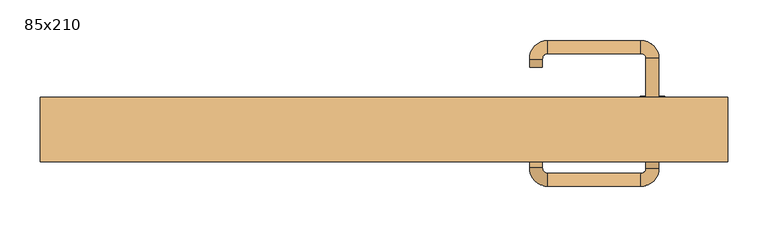
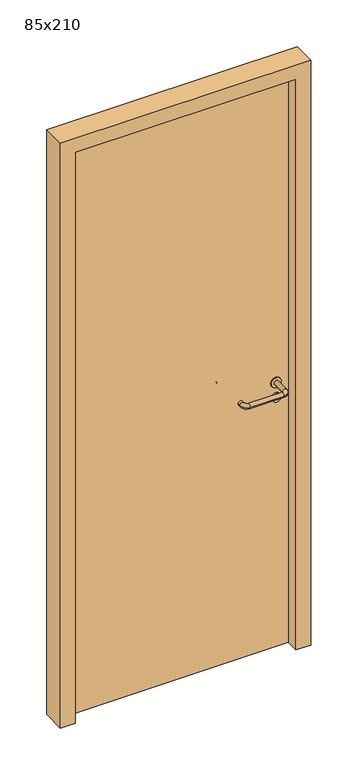
"""IFC4 building model written with IfcOpenShell, lengths in millimetres: door geometry, 85x210."""

from ifc_helpers import new_model, si_unit, point, frame, frame_2d, origin, origin_with_axes, place, context, project, spatial, polyline, circle_curve, ellipse_curve, trimmed, segment, composite_curve, outline, extrude, source, transform, mapped, element, save
from ifc_brep_helpers import plane_surface, cylinder_surface, revolved_surface, advanced_brep


def door_85x210_ea26651d(model_context):
    return source(origin(), model_context, "Body", "SolidModel", [
        extrude(outline(composite_curve([segment(trimmed(circle_curve(frame_2d((897.3605726, 332.0)), 15.0), [point((897.3605726, 347.0))], [point((897.3605726, 317.0))], False, "CARTESIAN"), True, "CONTINUOUS"), segment(trimmed(circle_curve(frame_2d((897.3605726, 332.0)), 15.0), [point((897.3605726, 317.0))], [point((897.3605726, 347.0))], False, "CARTESIAN"), True, "CONTINUOUS")], self_intersect=False), holes=[composite_curve([segment(trimmed(circle_curve(frame_2d((892.5833211, 331.9398032)), 2.0), [point((892.5833211, 333.9398032))], [point((892.5833211, 329.9398032))], True, "CARTESIAN"), True, "CONTINUOUS"), segment(polyline([(892.5833211, 329.9398032), (902.5833211, 329.9398032)]), True, "CONTINUOUS"), segment(trimmed(circle_curve(frame_2d((902.5833211, 331.9398032)), 2.0), [point((902.5833211, 329.9398032))], [point((902.5833211, 333.9398032))], True, "CARTESIAN"), True, "CONTINUOUS"), segment(polyline([(902.5833211, 333.9398032), (892.5833211, 333.9398032)]), True, "CONTINUOUS")], self_intersect=False)]), frame((0.0, 8.65, 0.0), z_axis=(0.0, 1.0, 0.0), x_axis=(0.0, 0.0, 1.0)), (0.0, 0.0, 1.0), 6.35),
        extrude(outline(composite_curve([segment(trimmed(circle_curve(frame_2d((950.0, 332.0)), 17.526), [point((950.0, 349.526))], [point((950.0, 314.474))], False, "CARTESIAN"), True, "CONTINUOUS"), segment(trimmed(circle_curve(frame_2d((950.0, 332.0)), 17.526), [point((950.0, 314.474))], [point((950.0, 349.526))], False, "CARTESIAN"), True, "CONTINUOUS")], self_intersect=False)), frame((0.0, 11.825, 0.0), z_axis=(0.0, 1.0, 0.0), x_axis=(0.0, 0.0, 1.0)), (0.0, 0.0, 1.0), 3.175),
        advanced_brep(
        [(340.0, 15.0, 950.0), (324.0, 15.0, 950.0), (324.0, -38.0, 950.0), (340.0, -38.0, 950.0), (317.8578644, -44.1421356, 950.0), (317.8578644, -60.1421356, 950.0), (202.8578644, -44.1421356, 950.0), (202.8578644, -60.1421356, 950.0), (196.008622, -37.2928932, 950.0), (180.008622, -37.2928932, 950.0), (180.008622, -27.2928932, 950.0), (196.008622, -27.2928932, 950.0)],
        [
            (0, 1, circle_curve(frame((332.0, 15.0, 950.0), z_axis=(0.0, 1.0, 0.0), x_axis=(-1.0, 0.0, 0.0)), 8.0)),
            (1, 0, circle_curve(frame((332.0, 15.0, 950.0), z_axis=(0.0, 1.0, 0.0), x_axis=(-1.0, 0.0, 0.0)), 8.0)),
            (1, 2),
            (2, 3, circle_curve(frame((332.0, -38.0, 950.0), z_axis=(0.0, 1.0, 0.0), x_axis=(-1.0, 0.0, 0.0)), 8.0)),
            (3, 0),
            (3, 2, circle_curve(frame((332.0, -38.0, 950.0), z_axis=(0.0, 1.0, 0.0), x_axis=(-1.0, 0.0, 0.0)), 8.0)),
            (4, 5, circle_curve(frame((317.8578644, -52.1421356, 950.0), z_axis=(1.0, 0.0, 0.0), x_axis=(0.0, 1.0, 0.0)), 8.0)),
            (5, 3, circle_curve(frame((317.8578644, -38.0, 950.0), z_axis=(0.0, 0.0, 1.0), x_axis=(1.0, 0.0, 0.0)), 22.1421356)),
            (2, 4, circle_curve(frame((317.8578644, -38.0, 950.0), z_axis=(0.0, 0.0, -1.0), x_axis=(1.0, 0.0, 0.0)), 6.1421356)),
            (5, 4, circle_curve(frame((317.8578644, -52.1421356, 950.0), z_axis=(1.0, 0.0, 0.0), x_axis=(0.0, 1.0, 0.0)), 8.0)),
            (4, 6),
            (6, 7, circle_curve(frame((202.8578644, -52.1421356, 950.0), z_axis=(1.0, 0.0, 0.0), x_axis=(0.0, 1.0, 0.0)), 8.0)),
            (7, 5),
            (7, 6, circle_curve(frame((202.8578644, -52.1421356, 950.0), z_axis=(1.0, 0.0, 0.0), x_axis=(0.0, 1.0, 0.0)), 8.0)),
            (8, 9, circle_curve(frame((188.008622, -37.2928932, 950.0), z_axis=(0.0, -1.0, 0.0), x_axis=(1.0, 0.0, 0.0)), 8.0)),
            (9, 7, circle_curve(frame((202.8578644, -37.2928932, 950.0), z_axis=(0.0, 0.0, 1.0), x_axis=(0.0, -1.0, 0.0)), 22.8492424)),
            (6, 8, circle_curve(frame((202.8578644, -37.2928932, 950.0), z_axis=(0.0, 0.0, -1.0), x_axis=(0.0, -1.0, 0.0)), 6.8492424)),
            (9, 8, circle_curve(frame((188.008622, -37.2928932, 950.0), z_axis=(0.0, -1.0, 0.0), x_axis=(1.0, 0.0, 0.0)), 8.0)),
            (10, 11, circle_curve(frame((188.008622, -27.2928932, 950.0), z_axis=(0.0, 1.0, 0.0), x_axis=(1.0, 0.0, 0.0)), 8.0)),
            (11, 10, circle_curve(frame((188.008622, -27.2928932, 950.0), z_axis=(0.0, 1.0, 0.0), x_axis=(1.0, 0.0, 0.0)), 8.0)),
            (8, 11),
            (10, 9),
        ],
        [
            plane_surface(frame((332.0, 15.0, 0.0), z_axis=(0.0, 1.0, 0.0), x_axis=(0.0, 0.0, 1.0))),
            cylinder_surface(frame((332.0, 15.0, 950.0), z_axis=(0.0, 1.0, 0.0), x_axis=(-1.0, 0.0, 0.0)), 8.0),
            revolved_surface(trimmed(ellipse_curve(frame((332.0, -38.0, 950.0), z_axis=(0.0, -1.0, 0.0), x_axis=(-1.0, 0.0, 0.0)), 8.0, 8.0), [point((340.0, -38.0, 950.0))], [point((324.0, -38.0, 950.0))], True, "CARTESIAN"), (317.8578644, -38.0, 0.0), (0.0, 0.0, 1.0)),
            revolved_surface(trimmed(ellipse_curve(frame((332.0, -38.0, 950.0), z_axis=(0.0, -1.0, 0.0), x_axis=(-1.0, 0.0, 0.0)), 8.0, 8.0), [point((324.0, -38.0, 950.0))], [point((340.0, -38.0, 950.0))], True, "CARTESIAN"), (317.8578644, -38.0, 0.0), (0.0, 0.0, 1.0)),
            cylinder_surface(frame((317.8578644, -52.1421356, 950.0), z_axis=(1.0, 0.0, 0.0), x_axis=(0.0, 1.0, 0.0)), 8.0),
            revolved_surface(trimmed(ellipse_curve(frame((202.8578644, -52.1421356, 950.0), z_axis=(-1.0, 0.0, 0.0), x_axis=(0.0, 1.0, 0.0)), 8.0, 8.0), [point((202.8578644, -60.1421356, 950.0))], [point((202.8578644, -44.1421356, 950.0))], True, "CARTESIAN"), (202.8578644, -37.2928932, 0.0), (0.0, 0.0, 1.0)),
            revolved_surface(trimmed(ellipse_curve(frame((202.8578644, -52.1421356, 950.0), z_axis=(-1.0, 0.0, 0.0), x_axis=(0.0, 1.0, 0.0)), 8.0, 8.0), [point((202.8578644, -44.1421356, 950.0))], [point((202.8578644, -60.1421356, 950.0))], True, "CARTESIAN"), (202.8578644, -37.2928932, 0.0), (0.0, 0.0, 1.0)),
            plane_surface(frame((188.008622, -27.2928932, 0.0), z_axis=(0.0, 1.0, 0.0), x_axis=(0.0, 0.0, 1.0))),
            cylinder_surface(frame((188.008622, -37.2928932, 950.0), z_axis=(0.0, -1.0, 0.0), x_axis=(1.0, 0.0, 0.0)), 8.0),
        ],
        [
            (0, [[1, 2]]),
            (1, [[3, 4, 5, -2]]),
            (1, [[-5, 6, -3, -1]]),
            (2, [[7, 8, -4, 9]]),
            (3, [[10, -9, -6, -8]]),
            (4, [[11, 12, 13, -7]]),
            (4, [[-13, 14, -11, -10]]),
            (5, [[15, 16, -12, 17]]),
            (6, [[18, -17, -14, -16]]),
            (7, [[19, 20]]),
            (8, [[21, -19, 22, -15]]),
            (8, [[-22, -20, -21, -18]]),
        ],
    ),
        extrude(outline(composite_curve([segment(trimmed(circle_curve(frame_2d((0.0, -15.0)), 15.0), [point((0.0, -30.0))], [point((0.0, 0.0))], False, "CARTESIAN"), True, "CONTINUOUS"), segment(trimmed(circle_curve(frame_2d((0.0, -15.0)), 15.0), [point((0.0, 0.0))], [point((0.0, -30.0))], False, "CARTESIAN"), True, "CONTINUOUS")], self_intersect=False), holes=[composite_curve([segment(trimmed(circle_curve(frame_2d((4.7772515, -14.9398032)), 2.0), [point((4.7772515, -16.9398032))], [point((4.7772515, -12.9398032))], True, "CARTESIAN"), True, "CONTINUOUS"), segment(polyline([(4.7772515, -12.9398032), (-5.2227485, -12.9398032)]), True, "CONTINUOUS"), segment(trimmed(circle_curve(frame_2d((-5.2227485, -14.9398032)), 2.0), [point((-5.2227485, -12.9398032))], [point((-5.2227485, -16.9398032))], True, "CARTESIAN"), True, "CONTINUOUS"), segment(polyline([(-5.2227485, -16.9398032), (4.7772515, -16.9398032)]), True, "CONTINUOUS")], self_intersect=False)]), frame((317.0, 45.0, 897.3605726), z_axis=(1.8870575173328306e-12, 1.0, 0.0), x_axis=(0.0, 0.0, -1.0)), (0.0, 0.0, 1.0), 6.35),
        extrude(outline(composite_curve([segment(trimmed(circle_curve(frame_2d((0.0, -17.526)), 17.526), [point((0.0, -35.052))], [point((0.0, 0.0))], False, "CARTESIAN"), True, "CONTINUOUS"), segment(trimmed(circle_curve(frame_2d((0.0, -17.526)), 17.526), [point((0.0, 0.0))], [point((0.0, -35.052))], False, "CARTESIAN"), True, "CONTINUOUS")], self_intersect=False)), frame((314.474, 45.0, 950.0), z_axis=(1.8870575173328306e-12, 1.0, 0.0), x_axis=(0.0, 0.0, -1.0)), (0.0, 0.0, 1.0), 3.175),
        advanced_brep(
        [(340.0, 45.0, 950.0), (324.0, 45.0, 950.0), (340.0, 98.0, 950.0), (324.0, 98.0, 950.0), (317.8578644, 104.1421356, 950.0), (317.8578644, 120.1421356, 950.0), (202.8578644, 120.1421356, 950.0), (202.8578644, 104.1421356, 950.0), (196.008622, 97.2928932, 950.0), (180.008622, 97.2928932, 950.0), (180.008622, 87.2928932, 950.0), (196.008622, 87.2928932, 950.0)],
        [
            (0, 1, circle_curve(frame((332.0, 45.0, 950.0), z_axis=(-1.888672253512351e-12, -1.0, 0.0), x_axis=(-1.0, 1.888672253512351e-12, 0.0)), 8.0)),
            (1, 0, circle_curve(frame((332.0, 45.0, 950.0), z_axis=(-1.888672253512351e-12, -1.0, 0.0), x_axis=(-1.0, 1.888672253512351e-12, 0.0)), 8.0)),
            (0, 2),
            (2, 3, circle_curve(frame((332.0, 98.0, 950.0), z_axis=(-1.888672253512351e-12, -1.0, 0.0), x_axis=(-1.0, 1.888672253512351e-12, 0.0)), 8.0)),
            (3, 1),
            (3, 2, circle_curve(frame((332.0, 98.0, 950.0), z_axis=(-1.888672253512351e-12, -1.0, 0.0), x_axis=(-1.0, 1.888672253512351e-12, 0.0)), 8.0)),
            (4, 3, circle_curve(frame((317.8578644, 98.0, 950.0), z_axis=(0.0, 0.0, -1.0), x_axis=(1.0, -1.880717803715015e-12, 0.0)), 6.1421356)),
            (2, 5, circle_curve(frame((317.8578644, 98.0, 950.0), z_axis=(0.0, 0.0, 1.0), x_axis=(1.0, -1.880717803715015e-12, 0.0)), 22.1421356)),
            (5, 4, circle_curve(frame((317.8578644, 112.1421356, 950.0), z_axis=(1.0, -1.913702061528922e-12, 0.0), x_axis=(-1.913702061528922e-12, -1.0, 0.0)), 8.0)),
            (4, 5, circle_curve(frame((317.8578644, 112.1421356, 950.0), z_axis=(1.0, -1.913702061528922e-12, 0.0), x_axis=(-1.913702061528922e-12, -1.0, 0.0)), 8.0)),
            (5, 6),
            (6, 7, circle_curve(frame((202.8578644, 112.1421356, 950.0), z_axis=(1.0, -1.913719828541269e-12, 0.0), x_axis=(-1.913719828541269e-12, -1.0, 0.0)), 8.0)),
            (7, 4),
            (7, 6, circle_curve(frame((202.8578644, 112.1421356, 950.0), z_axis=(1.0, -1.913719828541269e-12, 0.0), x_axis=(-1.913719828541269e-12, -1.0, 0.0)), 8.0)),
            (8, 7, circle_curve(frame((202.8578644, 97.2928932, 950.0), z_axis=(0.0, 0.0, -1.0), x_axis=(1.9120873253494017e-12, 1.0, 0.0)), 6.8492424)),
            (6, 9, circle_curve(frame((202.8578644, 97.2928932, 950.0), z_axis=(0.0, 0.0, 1.0), x_axis=(1.9120873253494017e-12, 1.0, 0.0)), 22.8492424)),
            (9, 8, circle_curve(frame((188.008622, 97.2928932, 950.0), z_axis=(1.890448610351751e-12, 1.0, 0.0), x_axis=(1.0, -1.890448610351751e-12, 0.0)), 8.0)),
            (8, 9, circle_curve(frame((188.008622, 97.2928932, 950.0), z_axis=(1.8888942981172756e-12, 1.0, 0.0), x_axis=(1.0, -1.8888942981172756e-12, 0.0)), 8.0)),
            (10, 11, circle_curve(frame((188.008622, 87.2928932, 950.0), z_axis=(-1.8903642334018795e-12, -1.0, 0.0), x_axis=(1.0, -1.8903642334018795e-12, 0.0)), 8.0)),
            (11, 10, circle_curve(frame((188.008622, 87.2928932, 950.0), z_axis=(-1.8903642334018795e-12, -1.0, 0.0), x_axis=(1.0, -1.8903642334018795e-12, 0.0)), 8.0)),
            (9, 10),
            (11, 8),
        ],
        [
            plane_surface(frame((332.0, 45.0, 0.0), z_axis=(-1.8870575173328306e-12, -1.0, 0.0), x_axis=(0.0, 0.0, 1.0))),
            cylinder_surface(frame((332.0, 45.0, 950.0), z_axis=(-1.888672253512351e-12, -1.0, 0.0), x_axis=(-1.0, 1.888672253512351e-12, 0.0)), 8.0),
            revolved_surface(trimmed(ellipse_curve(frame((332.0, 98.0, 950.0), z_axis=(-1.8823325398945356e-12, -1.0, 0.0), x_axis=(-1.0, 1.8823325398945356e-12, 0.0)), 8.0, 8.0), [point((340.0, 98.0, 950.0))], [point((324.0, 98.0, 950.0))], True, "CARTESIAN"), (317.8578644, 98.0, 0.0), (0.0, 0.0, 1.0)),
            revolved_surface(trimmed(ellipse_curve(frame((332.0, 98.0, 950.0), z_axis=(-1.8823325398945356e-12, -1.0, 0.0), x_axis=(-1.0, 1.8823325398945356e-12, 0.0)), 8.0, 8.0), [point((324.0, 98.0, 950.0))], [point((340.0, 98.0, 950.0))], True, "CARTESIAN"), (317.8578644, 98.0, 0.0), (0.0, 0.0, 1.0)),
            cylinder_surface(frame((317.8578644, 112.1421356, 950.0), z_axis=(1.0, -1.913719828541269e-12, 0.0), x_axis=(-1.913719828541269e-12, -1.0, 0.0)), 8.0),
            revolved_surface(trimmed(ellipse_curve(frame((202.8578644, 112.1421356, 950.0), z_axis=(1.0, -1.913702061528922e-12, 0.0), x_axis=(-1.913702061528922e-12, -1.0, 0.0)), 8.0, 8.0), [point((202.8578644, 120.1421356, 950.0))], [point((202.8578644, 104.1421356, 950.0))], True, "CARTESIAN"), (202.8578644, 97.2928932, 0.0), (0.0, 0.0, 1.0)),
            revolved_surface(trimmed(ellipse_curve(frame((202.8578644, 112.1421356, 950.0), z_axis=(1.0, -1.913702061528922e-12, 0.0), x_axis=(-1.913702061528922e-12, -1.0, 0.0)), 8.0, 8.0), [point((202.8578644, 104.1421356, 950.0))], [point((202.8578644, 120.1421356, 950.0))], True, "CARTESIAN"), (202.8578644, 97.2928932, 0.0), (0.0, 0.0, 1.0)),
            plane_surface(frame((188.008622, 87.2928932, 0.0), z_axis=(-1.8887494972223595e-12, -1.0, 0.0), x_axis=(0.0, 0.0, 1.0))),
            cylinder_surface(frame((188.008622, 97.2928932, 950.0), z_axis=(1.8903642334018795e-12, 1.0, 0.0), x_axis=(1.0, -1.8903642334018795e-12, 0.0)), 8.0),
        ],
        [
            (0, [[1, 2]]),
            (1, [[-1, 3, 4, 5]]),
            (1, [[-2, -5, 6, -3]]),
            (2, [[7, -4, 8, 9]]),
            (3, [[-8, -6, -7, 10]]),
            (4, [[-9, 11, 12, 13]]),
            (4, [[-10, -13, 14, -11]]),
            (5, [[15, -12, 16, 17]]),
            (6, [[-16, -14, -15, 18]]),
            (7, [[19, 20]]),
            (8, [[-17, 21, -20, 22]]),
            (8, [[-18, -22, -19, -21]]),
        ],
    ),
        extrude(outline(polyline([(2050.0, 375.0), (0.0, 375.0), (0.0, 425.0), (2100.0, 425.0), (2100.0, -425.0), (0.0, -425.0), (0.0, -375.0), (2050.0, -375.0), (2050.0, 375.0)])), frame((0.0, -30.0, 0.0), z_axis=(0.0, 1.0, 0.0), x_axis=(0.0, 0.0, 1.0)), (0.0, 0.0, 1.0), 80.0),
        extrude(outline(polyline([(-375.0, 45.0), (375.0, 45.0), (375.0, 15.0), (-375.0, 15.0), (-375.0, 45.0)])), origin_with_axes(), (0.0, 0.0, 1.0), 2050.0),
    ])


if __name__ == "__main__":
    model = new_model("IFC4")
    model_context = context("Model", 3, world=origin())
    ifc_project = project(units=[si_unit("LENGTHUNIT", "METRE", prefix="MILLI")], contexts=[model_context])
    site = spatial("IfcSite", under=ifc_project)
    building = spatial("IfcBuilding", under=site)
    placement = place(None, origin())
    door_85x210_shape = door_85x210_ea26651d(model_context)
    element("IfcDoor", 1, ObjectType="85x210", at=placement, inside=building, context=model_context, shape_type="MappedRepresentation", body=[
        mapped(door_85x210_shape, transform((0.0, 0.0, 0.0), x_axis=(1.0, 0.0, 0.0), y_axis=(0.0, 1.0, 0.0), z_axis=(0.0, 0.0, 1.0))),
    ])
    save(model, "model.ifc")
